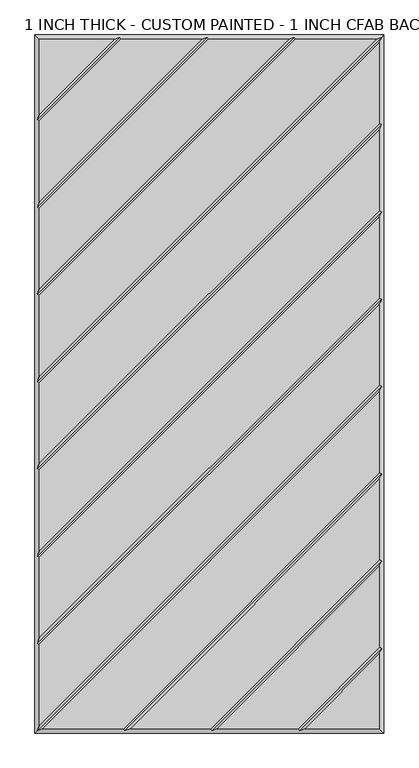
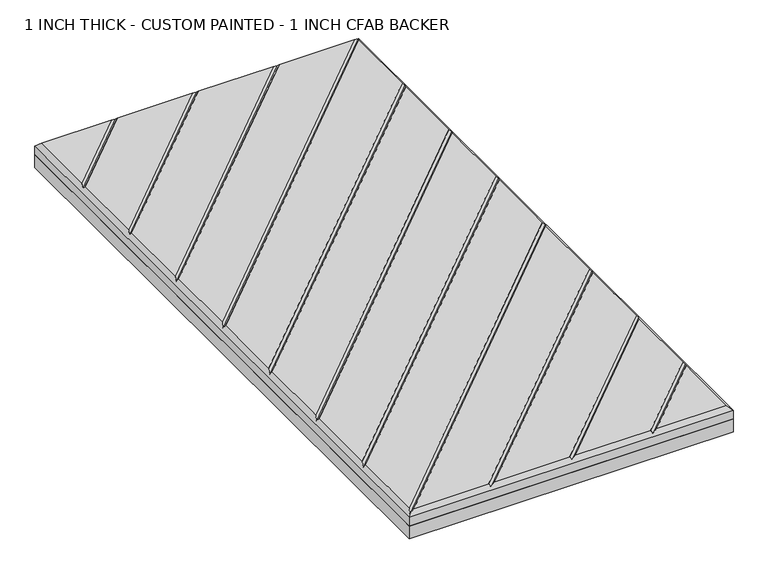
"""IFC4 building model written with IfcOpenShell, lengths in millimetres: proxy geometry, 1 INCH THICK - CUSTOM PAINTED - 1 INCH CFAB BACKER."""

from ifc_helpers import new_model, si_unit, frame, origin, place, context, project, spatial, polyline, outline, extrude, faceted_brep, source, transform, mapped, element, save


def proxy_1_inch_thick_custom_painted_1_inch_cfab_backer_67472a3a(model_context):
    return source(origin(), model_context, "Body", "SolidModel", [
        extrude(outline(polyline([(-304.8, 609.6), (304.8, 609.6), (304.8, -609.6), (-304.8, -609.6), (-304.8, 609.6)])), frame((0.0, 0.0, -25.4), z_axis=(0.0, 0.0, 1.0), x_axis=(1.0, 0.0, 0.0)), (0.0, 0.0, 1.0), 25.4),
        faceted_brep([(-166.0590948, 601.599, 25.4), (-296.799, 601.599, 25.4), (-296.799, 470.8590948, 25.4), (-154.743972, 601.599, 25.4), (-296.799, 459.543972, 25.4), (-296.799, 318.4585868, 25.4), (-13.6585868, 601.599, 25.4), (-2.343464, 601.599, 25.4), (-296.799, 307.143464, 25.4), (-296.799, 166.0585747, 25.4), (138.7419092, 601.599, 25.4), (150.0570382, 601.599, 25.4), (-296.799, 154.7434583, 25.4), (-296.799, 13.6585614, 25.4), (291.1414386, 601.599, 25.4), (296.799, 595.9414386, 25.4), (-296.799, 2.3434386, 25.4), (-296.799, -138.7414132, 25.4), (296.799, 454.8565868, 25.4), (296.799, 443.541464, 25.4), (-296.799, -150.056536, 25.4), (-296.799, -291.1414132, 25.4), (296.799, 302.4565868, 25.4), (296.799, 291.141464, 25.4), (-296.799, -302.456536, 25.4), (-296.799, -443.5414132, 25.4), (296.799, 150.0565868, 25.4), (296.799, 138.741464, 25.4), (-296.799, -454.856536, 25.4), (-296.799, -595.9414386, 25.4), (296.799, -2.3434386, 25.4), (296.799, -13.6585614, 25.4), (-291.1414386, -601.599, 25.4), (-150.0565868, -601.599, 25.4), (296.799, -154.7434132, 25.4), (296.799, -166.058536, 25.4), (-138.741464, -601.599, 25.4), (2.3434382, -601.599, 25.4), (296.799, -307.1434137, 25.4), (296.799, -318.4585369, 25.4), (13.6585605, -601.599, 25.4), (154.743904, -601.599, 25.4), (296.799, -459.5434305, 25.4), (166.0590079, -601.599, 25.4), (296.799, -601.599, 25.4), (296.799, -470.8585721, 25.4), (-304.8, 609.6, 0.0), (304.8, 609.6, 0.0), (304.8, -609.6, 0.0), (-304.8, -609.6, 0.0), (-304.8, -609.6, 17.399), (-304.8, 609.6, 17.399), (304.8, -609.6, 17.399), (304.8, 609.6, 17.399), (-156.4010334, 605.5995, 21.3995), (-4.0005254, 605.5995, 21.3995), (148.3999782, 605.5995, 21.3995), (300.7995, 605.5995, 21.3995), (-300.7995, -605.5995, 21.3995), (-300.7995, -453.1994746, 21.3995), (-300.7995, -300.7994746, 21.3995), (-300.7995, -148.3994746, 21.3995), (-300.7995, 4.0005, 21.3995), (-300.7995, 156.400521, 21.3995), (-300.7995, 308.8005254, 21.3995), (-300.7995, 461.2010334, 21.3995), (156.4009693, -605.5995, 21.3995), (4.0004997, -605.5995, 21.3995), (-148.3995254, -605.5995, 21.3995), (300.7995, 453.1995254, 21.3995), (300.7995, 300.7995254, 21.3995), (300.7995, 148.3995254, 21.3995), (300.7995, -4.0005, 21.3995), (300.7995, -156.4004746, 21.3995), (300.7995, -308.8004749, 21.3995), (300.7995, -461.2004879, 21.3995)], [[[0, 1, 2]], [[3, 4, 5, 6]], [[7, 8, 9, 10]], [[11, 12, 13, 14]], [[15, 16, 17, 18]], [[19, 20, 21, 22]], [[23, 24, 25, 26]], [[27, 28, 29, 30]], [[31, 32, 33, 34]], [[35, 36, 37, 38]], [[39, 40, 41, 42]], [[43, 44, 45]], [[46, 47, 48, 49]], [[46, 49, 50, 51]], [[49, 48, 52, 50]], [[48, 47, 53, 52]], [[47, 46, 51, 53]], [[51, 1, 0, 54, 3, 6, 55, 7, 10, 56, 11, 14, 57, 53]], [[1, 51, 50, 58, 29, 28, 59, 25, 24, 60, 21, 20, 61, 17, 16, 62, 13, 12, 63, 9, 8, 64, 5, 4, 65, 2]], [[52, 44, 43, 66, 41, 40, 67, 37, 36, 68, 33, 32, 58, 50]], [[44, 52, 53, 57, 15, 18, 69, 19, 22, 70, 23, 26, 71, 27, 30, 72, 31, 34, 73, 35, 38, 74, 39, 42, 75, 45]], [[65, 54, 0, 2]], [[54, 65, 4, 3]], [[64, 55, 6, 5]], [[55, 64, 8, 7]], [[63, 56, 10, 9]], [[56, 63, 12, 11]], [[62, 57, 14, 13]], [[57, 62, 16, 15]], [[61, 69, 18, 17]], [[69, 61, 20, 19]], [[60, 70, 22, 21]], [[70, 60, 24, 23]], [[59, 71, 26, 25]], [[71, 59, 28, 27]], [[58, 72, 30, 29]], [[72, 58, 32, 31]], [[68, 73, 34, 33]], [[73, 68, 36, 35]], [[67, 74, 38, 37]], [[74, 67, 40, 39]], [[66, 75, 42, 41]], [[75, 66, 43, 45]]]),
    ])


if __name__ == "__main__":
    model = new_model("IFC4")
    model_context = context("Model", 3, world=origin())
    ifc_project = project(units=[si_unit("LENGTHUNIT", "METRE", prefix="MILLI")], contexts=[model_context])
    site = spatial("IfcSite", under=ifc_project)
    building = spatial("IfcBuilding", under=site)
    placement = place(None, origin())
    proxy_1_inch_thick_custom_painted_1_inch_cfab_backer_shape = proxy_1_inch_thick_custom_painted_1_inch_cfab_backer_67472a3a(model_context)
    element("IfcBuildingElementProxy", 1, Name="1 INCH THICK - CUSTOM PAINTED - 1 INCH CFAB BACKER", ObjectType="1 INCH THICK - CUSTOM PAINTED - 1 INCH CFAB BACKER", at=placement, inside=building, context=model_context, shape_type="MappedRepresentation", body=[
        mapped(proxy_1_inch_thick_custom_painted_1_inch_cfab_backer_shape, transform((0.0, 0.0, 0.0), x_axis=(1.0, 0.0, 0.0), y_axis=(0.0, 1.0, 0.0), z_axis=(0.0, 0.0, 1.0))),
    ])
    save(model, "model.ifc")
